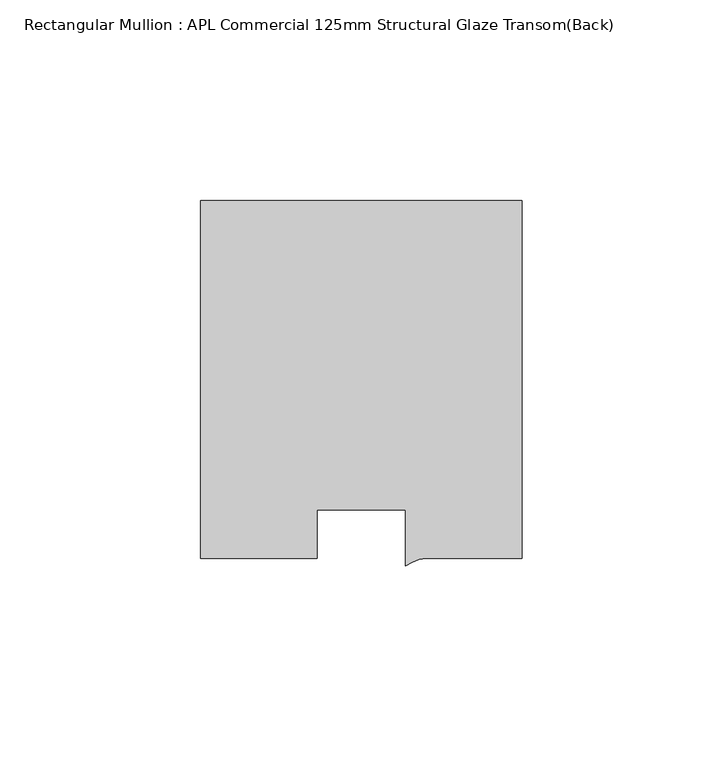
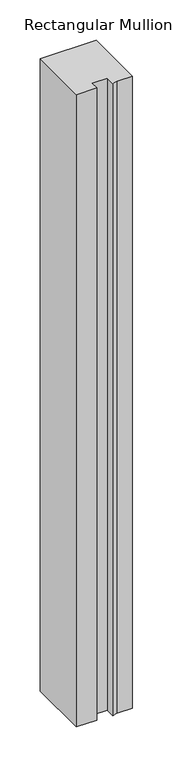
"""IFC4 building model written with IfcOpenShell, lengths in millimetres: member geometry, Rectangular Mullion : APL Commercial 125mm Structural Glaze Transom(Back)."""

from ifc_helpers import new_model, si_unit, point, frame, frame_2d, origin, place, context, project, spatial, polyline, circle_curve, trimmed, segment, composite_curve, outline, extrude, source, transform, mapped, element, save


def rectangular_mullion_apl_commercial_125mm_structural_glaze_398eea05(model_context):
    return source(origin(), model_context, "Body", "SweptSolid", [
        extrude(outline(composite_curve([segment(polyline([(40.0, 104.0), (40.0, 15.0000829), (17.9999542, 15.0000829)]), True, "CONTINUOUS"), segment(trimmed(circle_curve(frame_2d((17.1097719, 4.581653)), 10.4563907), [point((17.9999542, 15.0000829))], [point((11.0000151, 13.0673455))], True, "CARTESIAN"), True, "CONTINUOUS"), segment(polyline([(11.0000151, 13.0673455), (11.0000151, 27.0), (-11.0000151, 27.0), (-11.0000151, 15.0000829), (-40.0, 15.0000829), (-40.0, 104.0), (40.0, 104.0)]), True, "CONTINUOUS")], self_intersect=False)), frame((0.0, 0.0, -955.0460227), z_axis=(0.0, 0.0, 1.0), x_axis=(1.0, 0.0, 0.0)), (0.0, 0.0, 1.0), 955.0460227),
    ])


if __name__ == "__main__":
    model = new_model("IFC4")
    model_context = context("Model", 3, world=origin())
    ifc_project = project(units=[si_unit("LENGTHUNIT", "METRE", prefix="MILLI")], contexts=[model_context])
    site = spatial("IfcSite", under=ifc_project)
    building = spatial("IfcBuilding", under=site)
    placement = place(None, origin())
    rectangular_mullion_apl_commercial_125mm_structural_glaze_shape = rectangular_mullion_apl_commercial_125mm_structural_glaze_398eea05(model_context)
    element("IfcMember", 1, ObjectType="Rectangular Mullion : APL Commercial 125mm Structural Glaze Transom(Back)", at=placement, inside=building, context=model_context, shape_type="MappedRepresentation", body=[
        mapped(rectangular_mullion_apl_commercial_125mm_structural_glaze_shape, transform((0.0, 0.0, 0.0), x_axis=(1.0, 0.0, 0.0), y_axis=(0.0, 1.0, 0.0), z_axis=(0.0, 0.0, 1.0))),
    ])
    save(model, "model.ifc")
